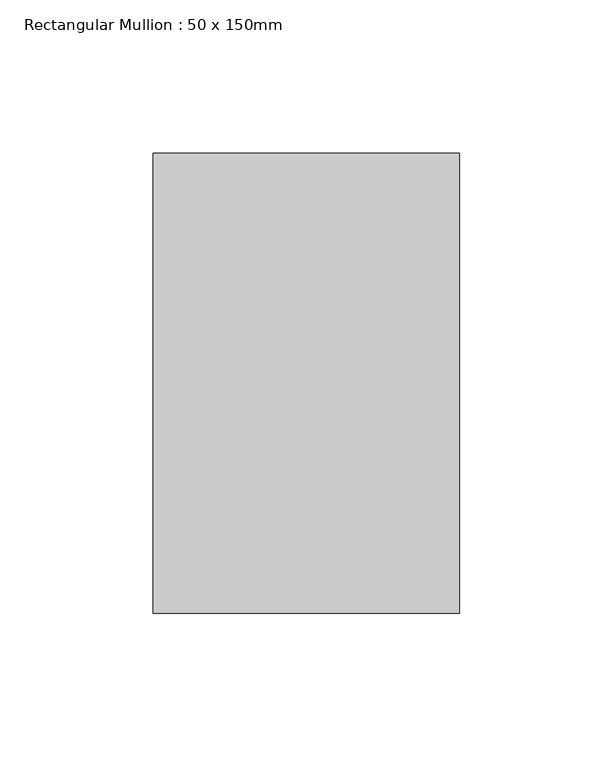
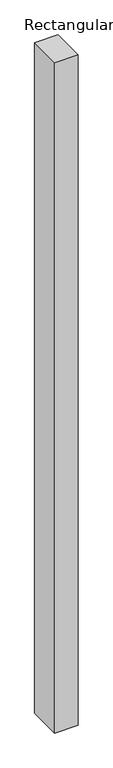
"""IFC4 building model written with IfcOpenShell, lengths in millimetres: member geometry, Rectangular Mullion : 50 x 150mm."""

from ifc_helpers import new_model, si_unit, frame, origin, place, context, project, spatial, polyline, outline, extrude, source, transform, mapped, element, save


def rectangular_mullion_50_x_150mm_96b92994(model_context):
    return source(origin(), model_context, "Body", "SweptSolid", [
        extrude(outline(polyline([(50.0, 75.0), (50.0, -75.0), (-50.0, -75.0), (-50.0, 75.0), (50.0, 75.0)])), frame((0.0, 0.0, -3060.157779), z_axis=(0.0, 0.0, 1.0), x_axis=(1.0, 0.0, 0.0)), (0.0, 0.0, 1.0), 3060.157779),
    ])


if __name__ == "__main__":
    model = new_model("IFC4")
    model_context = context("Model", 3, world=origin())
    ifc_project = project(units=[si_unit("LENGTHUNIT", "METRE", prefix="MILLI")], contexts=[model_context])
    site = spatial("IfcSite", under=ifc_project)
    building = spatial("IfcBuilding", under=site)
    placement = place(None, origin())
    rectangular_mullion_50_x_150mm_shape = rectangular_mullion_50_x_150mm_96b92994(model_context)
    element("IfcMember", 1, ObjectType="Rectangular Mullion : 50 x 150mm", at=placement, inside=building, context=model_context, shape_type="MappedRepresentation", body=[
        mapped(rectangular_mullion_50_x_150mm_shape, transform((0.0, 0.0, 0.0), x_axis=(1.0, 0.0, 0.0), y_axis=(0.0, 1.0, 0.0), z_axis=(0.0, 0.0, 1.0))),
    ])
    save(model, "model.ifc")
